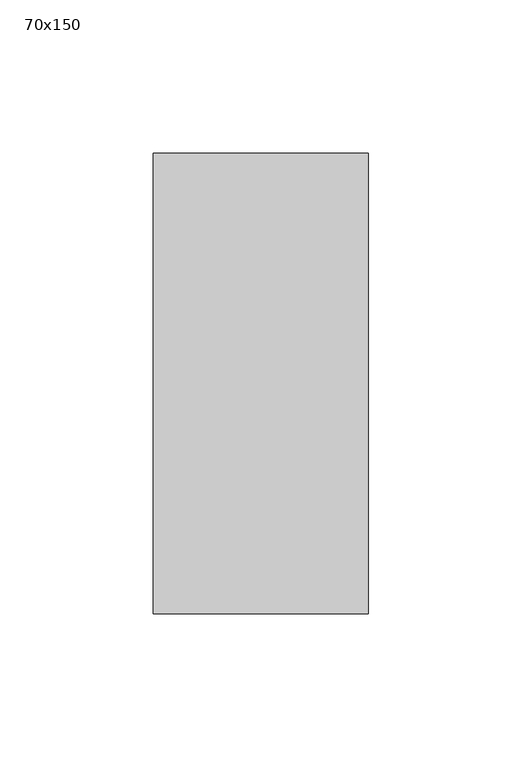
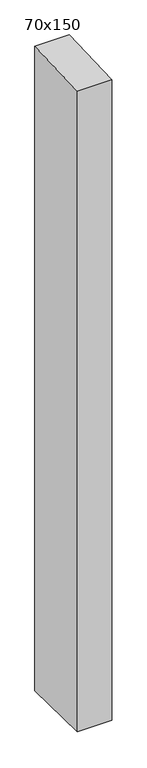
"""IFC4 building model written with IfcOpenShell, lengths in millimetres: member geometry, 70x150."""

from ifc_helpers import new_model, si_unit, frame, origin, place, context, project, spatial, polyline, outline, extrude, source, transform, mapped, element, save


def member_70x150_6c5de3ba(model_context):
    return source(origin(), model_context, "Body", "SweptSolid", [
        extrude(outline(polyline([(-75.0, -2.6562149), (75.0, 2.6562149), (75.0, -1383.3944048), (-75.0, -1380.6160043), (-75.0, -2.6562149)])), frame((-70.0, 0.0, 0.0), z_axis=(1.0, 0.0, 0.0), x_axis=(0.0, 1.0, 0.0)), (0.0, 0.0, 1.0), 70.0),
    ])


if __name__ == "__main__":
    model = new_model("IFC4")
    model_context = context("Model", 3, world=origin())
    ifc_project = project(units=[si_unit("LENGTHUNIT", "METRE", prefix="MILLI")], contexts=[model_context])
    site = spatial("IfcSite", under=ifc_project)
    building = spatial("IfcBuilding", under=site)
    placement = place(None, origin())
    member_70x150_shape = member_70x150_6c5de3ba(model_context)
    element("IfcMember", 1, ObjectType="70x150", at=placement, inside=building, context=model_context, shape_type="MappedRepresentation", body=[
        mapped(member_70x150_shape, transform((0.0, 0.0, 0.0), x_axis=(1.0, 0.0, 0.0), y_axis=(0.0, 1.0, 0.0), z_axis=(0.0, 0.0, 1.0))),
    ])
    save(model, "model.ifc")
